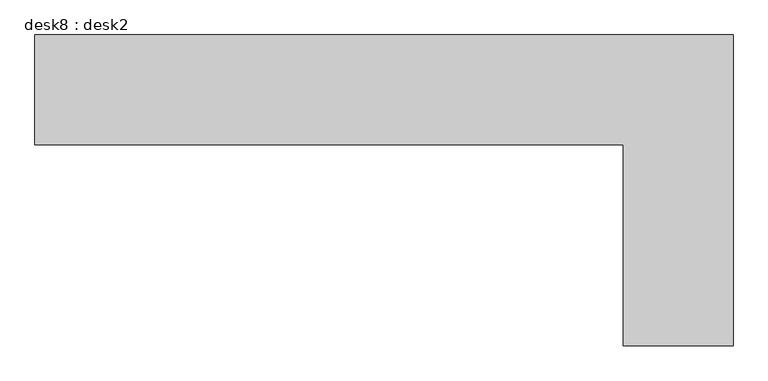
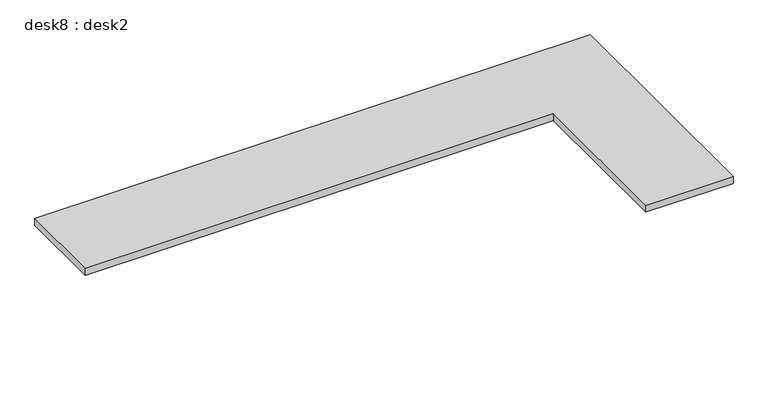
"""IFC4 building model written with IfcOpenShell, lengths in millimetres: furniture geometry, desk8 : desk2."""

from ifc_helpers import new_model, si_unit, frame, origin, place, context, project, spatial, polyline, outline, extrude, source, transform, mapped, element, save


def desk8_desk2_dae7f68a(model_context):
    return source(origin(), model_context, "Body", "SweptSolid", [
        extrude(outline(polyline([(-109767.5966733, -37303.0646139), (-109767.5966733, -36693.4646139), (-105886.7683837, -36693.4646139), (-105886.7683837, -38420.6646139), (-106496.3683837, -38420.6646139), (-106496.3683837, -37303.0646139), (-109767.5966733, -37303.0646139)])), frame((0.0, 0.0, 762.0), z_axis=(0.0, 0.0, 1.0), x_axis=(1.0, 0.0, 0.0)), (0.0, 0.0, 1.0), 50.8),
    ])


if __name__ == "__main__":
    model = new_model("IFC4")
    model_context = context("Model", 3, world=origin())
    ifc_project = project(units=[si_unit("LENGTHUNIT", "METRE", prefix="MILLI")], contexts=[model_context])
    site = spatial("IfcSite", under=ifc_project)
    building = spatial("IfcBuilding", under=site)
    placement = place(None, origin())
    desk8_desk2_shape = desk8_desk2_dae7f68a(model_context)
    element("IfcFurniture", 1, ObjectType="desk8 : desk2", at=placement, inside=building, context=model_context, shape_type="MappedRepresentation", body=[
        mapped(desk8_desk2_shape, transform((0.0, 0.0, 0.0), x_axis=(1.0, 0.0, 0.0), y_axis=(0.0, 1.0, 0.0), z_axis=(0.0, 0.0, 1.0))),
    ])
    save(model, "model.ifc")
